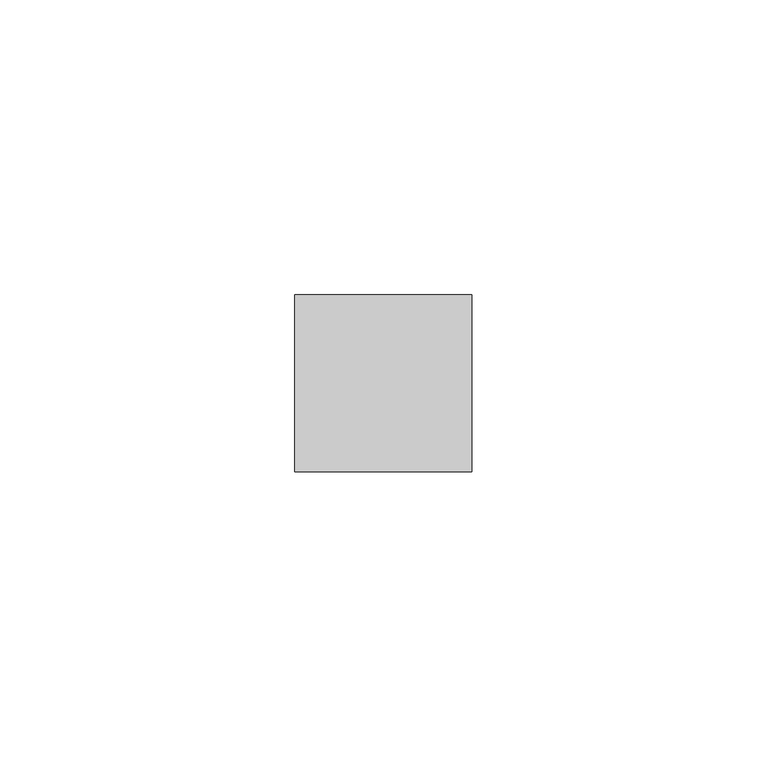
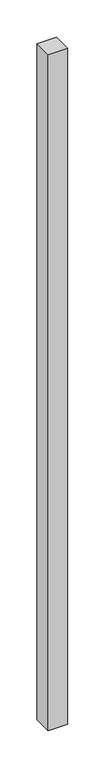
"""IFC4 building model written with IfcOpenShell, lengths in millimetres: member geometry."""

from ifc_helpers import new_model, si_unit, frame, origin, place, context, project, spatial, polyline, outline, extrude, source, transform, mapped, element, save


def member_1cd1f103(model_context):
    return source(origin(), model_context, "Body", "SweptSolid", [
        extrude(outline(polyline([(15.0, 15.0), (15.0, -15.0), (-15.0, -15.0), (-15.0, 15.0), (15.0, 15.0)])), frame((0.0, 0.0, -1107.826087), z_axis=(0.0, 0.0, 1.0), x_axis=(1.0, 0.0, 0.0)), (0.0, 0.0, 1.0), 1107.826087),
    ])


if __name__ == "__main__":
    model = new_model("IFC4")
    model_context = context("Model", 3, world=origin())
    ifc_project = project(units=[si_unit("LENGTHUNIT", "METRE", prefix="MILLI")], contexts=[model_context])
    site = spatial("IfcSite", under=ifc_project)
    building = spatial("IfcBuilding", under=site)
    placement = place(None, origin())
    member_shape = member_1cd1f103(model_context)
    element("IfcMember", 1, at=placement, inside=building, context=model_context, shape_type="MappedRepresentation", body=[
        mapped(member_shape, transform((0.0, 0.0, 0.0), x_axis=(1.0, 0.0, 0.0), y_axis=(0.0, 1.0, 0.0), z_axis=(0.0, 0.0, 1.0))),
    ])
    save(model, "model.ifc")
